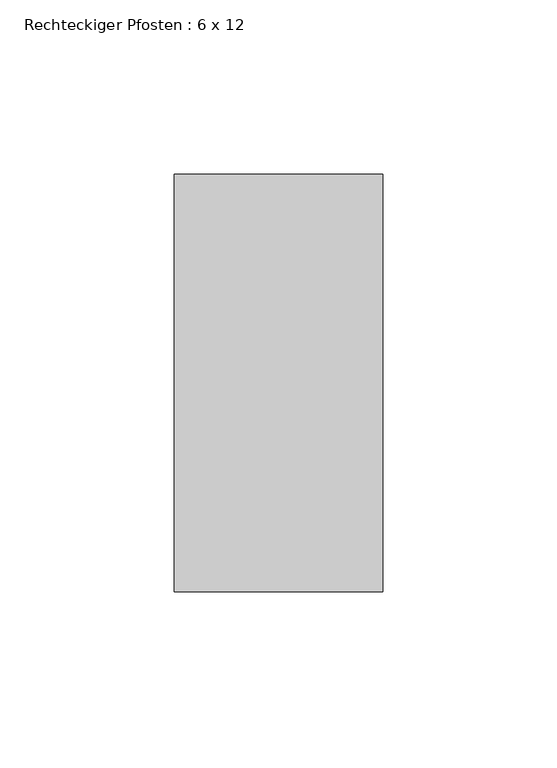
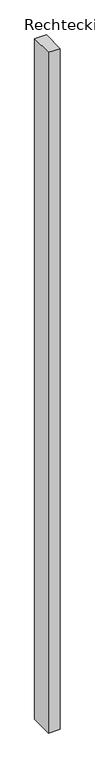
"""IFC4 building model written with IfcOpenShell, lengths in millimetres: member geometry, Rechteckiger Pfosten : 6 x 12."""

from ifc_helpers import new_model, si_unit, frame, origin, place, context, project, spatial, polyline, outline, extrude, source, transform, mapped, element, save


def rechteckiger_pfosten_6_x_12_89d1e3e8(model_context):
    return source(origin(), model_context, "Body", "SweptSolid", [
        extrude(outline(polyline([(30.0, 60.0), (30.0, -60.0), (-30.0, -60.0), (-30.0, 60.0), (30.0, 60.0)])), frame((0.0, 0.0, -3644.1717369), z_axis=(0.0, 0.0, 1.0), x_axis=(1.0, 0.0, 0.0)), (0.0, 0.0, 1.0), 3644.1717369),
    ])


if __name__ == "__main__":
    model = new_model("IFC4")
    model_context = context("Model", 3, world=origin())
    ifc_project = project(units=[si_unit("LENGTHUNIT", "METRE", prefix="MILLI")], contexts=[model_context])
    site = spatial("IfcSite", under=ifc_project)
    building = spatial("IfcBuilding", under=site)
    placement = place(None, origin())
    rechteckiger_pfosten_6_x_12_shape = rechteckiger_pfosten_6_x_12_89d1e3e8(model_context)
    element("IfcMember", 1, ObjectType="Rechteckiger Pfosten : 6 x 12", at=placement, inside=building, context=model_context, shape_type="MappedRepresentation", body=[
        mapped(rechteckiger_pfosten_6_x_12_shape, transform((0.0, 0.0, 0.0), x_axis=(1.0, 0.0, 0.0), y_axis=(0.0, 1.0, 0.0), z_axis=(0.0, 0.0, 1.0))),
    ])
    save(model, "model.ifc")
